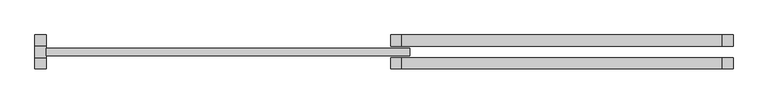
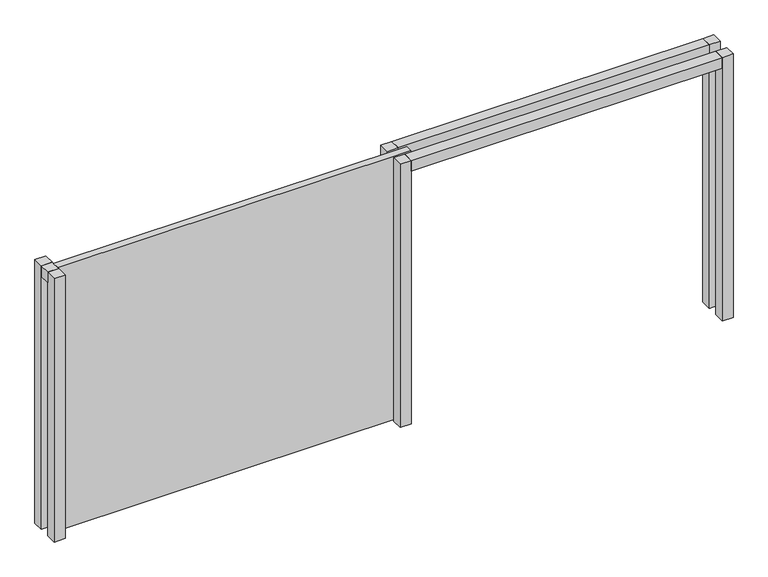
"""IFC4 building model written with IfcOpenShell, lengths in millimetres: proxy geometry."""

from ifc_helpers import new_model, si_unit, frame, origin, origin_with_axes, place, context, project, spatial, polyline, outline, extrude, source, transform, mapped, element, save


def generic_models_30342f05(model_context):
    return source(origin(), model_context, "Body", "SweptSolid", [
        extrude(outline(polyline([(4640.0, 60.0), (4640.0, 180.0), (8019.5428595, 180.0), (8019.5428595, 60.0), (4640.0, 60.0)])), frame((0.0, 0.0, 2910.0), z_axis=(0.0, 0.0, 1.0), x_axis=(1.0, 0.0, 0.0)), (0.0, 0.0, 1.0), 120.0),
        extrude(outline(polyline([(4640.0, -180.0), (4640.0, -60.0), (8019.5428595, -60.0), (8019.5428595, -180.0), (4640.0, -180.0)])), frame((0.0, 0.0, 2910.0), z_axis=(0.0, 0.0, 1.0), x_axis=(1.0, 0.0, 0.0)), (0.0, 0.0, 1.0), 120.0),
        extrude(outline(polyline([(8139.5428595, 60.0), (8019.5428595, 60.0), (8019.5428595, 180.0), (8139.5428595, 180.0), (8139.5428595, 60.0)])), origin_with_axes(), (0.0, 0.0, 1.0), 3030.0),
        extrude(outline(polyline([(8139.5428595, -180.0), (8019.5428595, -180.0), (8019.5428595, -60.0), (8139.5428595, -60.0), (8139.5428595, -180.0)])), origin_with_axes(), (0.0, 0.0, 1.0), 3030.0),
        extrude(outline(polyline([(4640.0, 60.0), (4520.0, 60.0), (4520.0, 180.0), (4640.0, 180.0), (4640.0, 60.0)])), origin_with_axes(), (0.0, 0.0, 1.0), 3030.0),
        extrude(outline(polyline([(4640.0, -180.0), (4520.0, -180.0), (4520.0, -60.0), (4640.0, -60.0), (4640.0, -180.0)])), origin_with_axes(), (0.0, 0.0, 1.0), 3030.0),
        extrude(outline(polyline([(4720.0, -40.0), (880.4783712, -40.0), (880.4783712, 40.0), (4720.0, 40.0), (4720.0, -40.0)])), origin_with_axes(), (0.0, 0.0, 1.0), 3030.0),
        extrude(outline(polyline([(880.4783712, 60.0), (880.4783712, -60.0), (760.4783712, -60.0), (760.4783712, 60.0), (880.4783712, 60.0)])), frame((0.0, 0.0, 2910.0), z_axis=(0.0, 0.0, 1.0), x_axis=(1.0, 0.0, 0.0)), (0.0, 0.0, 1.0), 120.0),
        extrude(outline(polyline([(880.4783712, 60.0), (760.4783712, 60.0), (760.4783712, 180.0), (880.4783712, 180.0), (880.4783712, 60.0)])), origin_with_axes(), (0.0, 0.0, 1.0), 3030.0),
        extrude(outline(polyline([(880.4783712, -180.0), (760.4783712, -180.0), (760.4783712, -60.0), (880.4783712, -60.0), (880.4783712, -180.0)])), origin_with_axes(), (0.0, 0.0, 1.0), 3030.0),
    ])


if __name__ == "__main__":
    model = new_model("IFC4")
    model_context = context("Model", 3, world=origin())
    ifc_project = project(units=[si_unit("LENGTHUNIT", "METRE", prefix="MILLI")], contexts=[model_context])
    site = spatial("IfcSite", under=ifc_project)
    building = spatial("IfcBuilding", under=site)
    placement = place(None, origin())
    generic_models_shape = generic_models_30342f05(model_context)
    element("IfcBuildingElementProxy", 1, Name="Generic Models", at=placement, inside=building, context=model_context, shape_type="MappedRepresentation", body=[
        mapped(generic_models_shape, transform((0.0, 0.0, 0.0), x_axis=(1.0, 0.0, 0.0), y_axis=(0.0, 1.0, 0.0), z_axis=(0.0, 0.0, 1.0))),
    ])
    save(model, "model.ifc")
